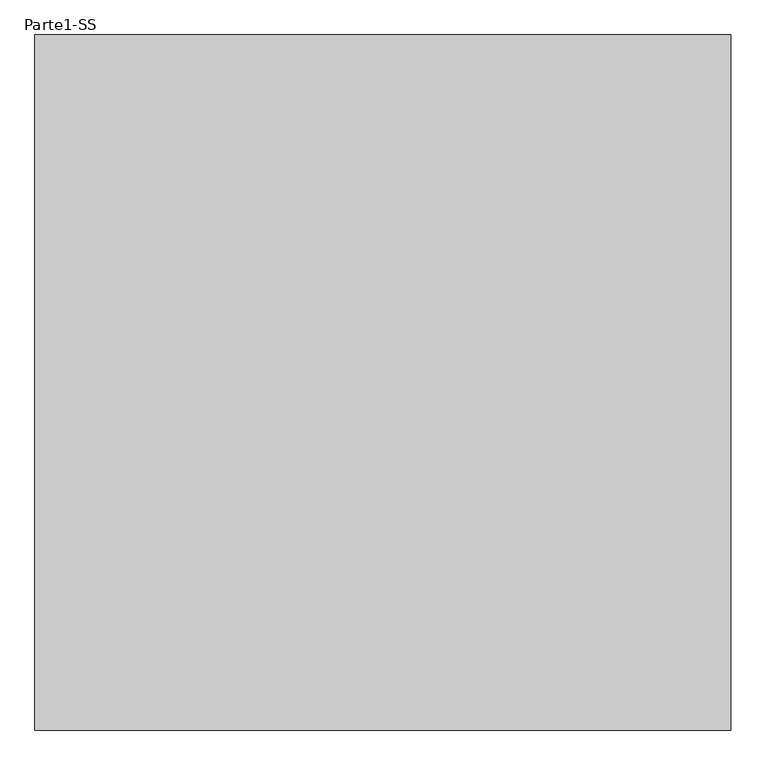
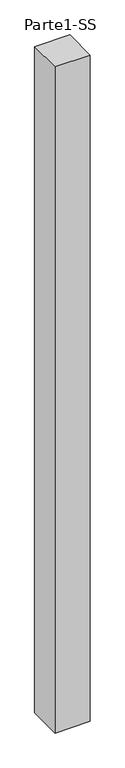
"""IFC4 building model written with IfcOpenShell, lengths in millimetres: proxy geometry, Parte1-SS."""

from ifc_helpers import new_model, si_unit, frame, origin, place, context, project, spatial, polyline, outline, extrude, source, transform, mapped, element, save


def parte1_ss_d79c1c34(model_context):
    return source(origin(), model_context, "Body", "SweptSolid", [
        extrude(outline(polyline([(2000.0, 2000.0), (2000.0, 0.0), (0.0, 0.0), (0.0, 2000.0), (2000.0, 2000.0)])), frame((0.0, 0.0, 25000.0), z_axis=(0.0, 0.0, 1.0), x_axis=(1.0, 0.0, 0.0)), (0.0, 0.0, 1.0), 40000.0),
    ])


if __name__ == "__main__":
    model = new_model("IFC4")
    model_context = context("Model", 3, world=origin())
    ifc_project = project(units=[si_unit("LENGTHUNIT", "METRE", prefix="MILLI")], contexts=[model_context])
    site = spatial("IfcSite", under=ifc_project)
    building = spatial("IfcBuilding", under=site)
    placement = place(None, origin())
    parte1_ss_shape = parte1_ss_d79c1c34(model_context)
    element("IfcBuildingElementProxy", 1, Name="Parte1-SS", ObjectType="Parte1-SS", at=placement, inside=building, context=model_context, shape_type="MappedRepresentation", body=[
        mapped(parte1_ss_shape, transform((0.0, 0.0, 0.0), x_axis=(1.0, 0.0, 0.0), y_axis=(0.0, 1.0, 0.0), z_axis=(0.0, 0.0, 1.0))),
    ])
    save(model, "model.ifc")
